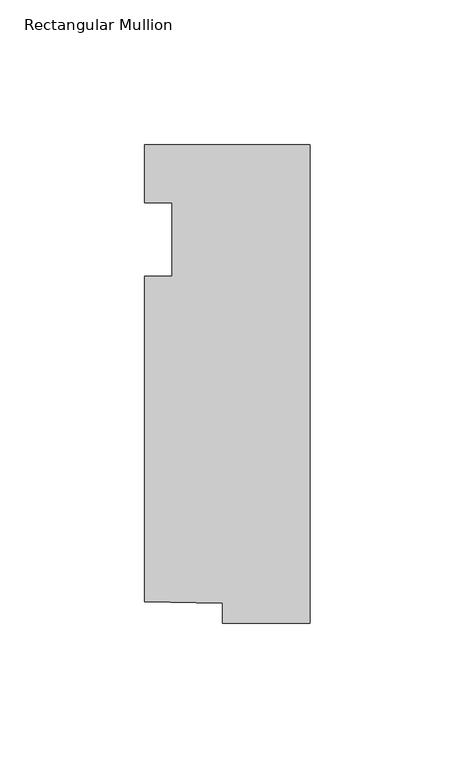
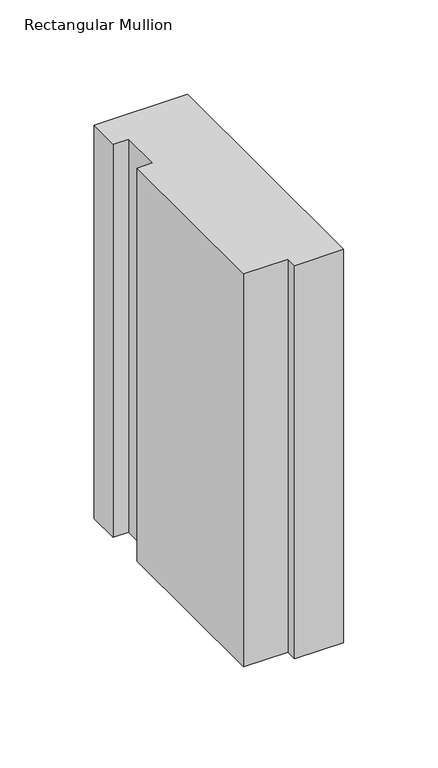
"""IFC4 building model written with IfcOpenShell, lengths in millimetres: member geometry, Rectangular Mullion."""

from ifc_helpers import new_model, si_unit, frame, origin, place, context, project, spatial, polyline, outline, extrude, source, transform, mapped, element, save


def rectangular_mullion_56afced5(model_context):
    return source(origin(), model_context, "Body", "SweptSolid", [
        extrude(outline(polyline([(-57.15, 20.0421875), (0.0, 20.0421875), (0.0, -145.0578125), (-30.1646192, -145.0578125), (-30.1646192, -138.1494996), (-57.15, -137.7424054), (-57.15, -25.4), (-47.625, -25.4), (-47.625, 0.0), (-57.15, 0.0), (-57.15, 20.0421875)])), frame((0.0, 0.0, -254.0), z_axis=(0.0, 0.0, 1.0), x_axis=(1.0, 0.0, 0.0)), (0.0, 0.0, 1.0), 254.0),
    ])


if __name__ == "__main__":
    model = new_model("IFC4")
    model_context = context("Model", 3, world=origin())
    ifc_project = project(units=[si_unit("LENGTHUNIT", "METRE", prefix="MILLI")], contexts=[model_context])
    site = spatial("IfcSite", under=ifc_project)
    building = spatial("IfcBuilding", under=site)
    placement = place(None, origin())
    rectangular_mullion_shape = rectangular_mullion_56afced5(model_context)
    element("IfcMember", 1, ObjectType="Rectangular Mullion", at=placement, inside=building, context=model_context, shape_type="MappedRepresentation", body=[
        mapped(rectangular_mullion_shape, transform((0.0, 0.0, 0.0), x_axis=(1.0, 0.0, 0.0), y_axis=(0.0, 1.0, 0.0), z_axis=(0.0, 0.0, 1.0))),
    ])
    save(model, "model.ifc")
